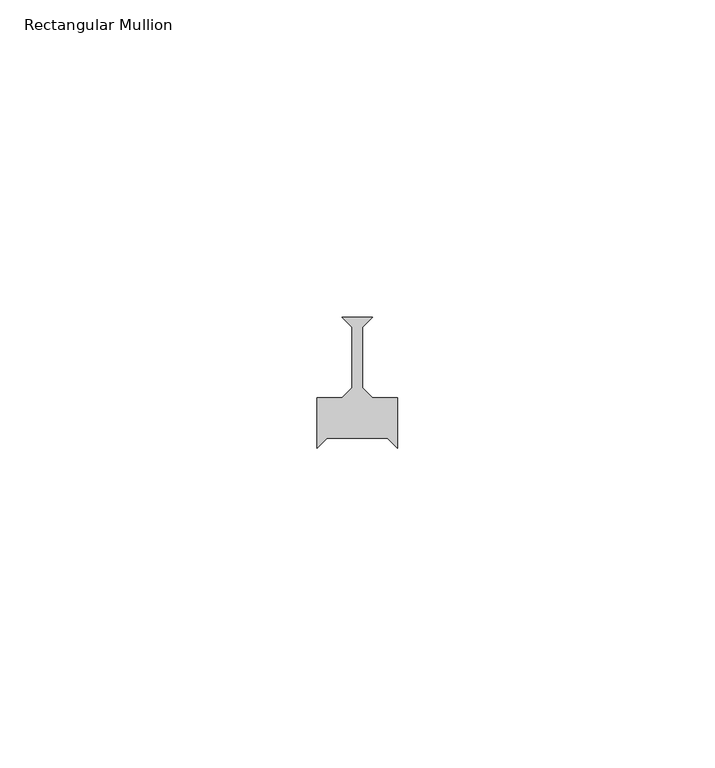
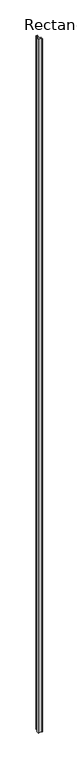
"""IFC4 building model written with IfcOpenShell, lengths in millimetres: member geometry, Rectangular Mullion."""

from ifc_helpers import new_model, si_unit, frame, origin, place, context, project, spatial, polyline, outline, extrude, source, transform, mapped, element, save


def rectangular_mullion_9a79fbd7(model_context):
    return source(origin(), model_context, "Body", "SweptSolid", [
        extrude(outline(polyline([(-2.38125, 36.5125), (2.38125, 36.5125), (0.79375, 34.925), (0.79375, 25.4), (2.38125, 23.8125), (6.35, 23.8125), (6.35, 15.875), (4.7625, 17.4625), (-4.7625, 17.4625), (-6.35, 15.875), (-6.35, 23.8125), (-2.38125, 23.8125), (-0.79375, 25.4), (-0.79375, 34.925), (-2.38125, 36.5125)])), frame((0.0, 0.0, -2359.025), z_axis=(0.0, 0.0, 1.0), x_axis=(1.0, 0.0, 0.0)), (0.0, 0.0, 1.0), 2359.025),
    ])


if __name__ == "__main__":
    model = new_model("IFC4")
    model_context = context("Model", 3, world=origin())
    ifc_project = project(units=[si_unit("LENGTHUNIT", "METRE", prefix="MILLI")], contexts=[model_context])
    site = spatial("IfcSite", under=ifc_project)
    building = spatial("IfcBuilding", under=site)
    placement = place(None, origin())
    rectangular_mullion_shape = rectangular_mullion_9a79fbd7(model_context)
    element("IfcMember", 1, ObjectType="Rectangular Mullion", at=placement, inside=building, context=model_context, shape_type="MappedRepresentation", body=[
        mapped(rectangular_mullion_shape, transform((0.0, 0.0, 0.0), x_axis=(1.0, 0.0, 0.0), y_axis=(0.0, 1.0, 0.0), z_axis=(0.0, 0.0, 1.0))),
    ])
    save(model, "model.ifc")
